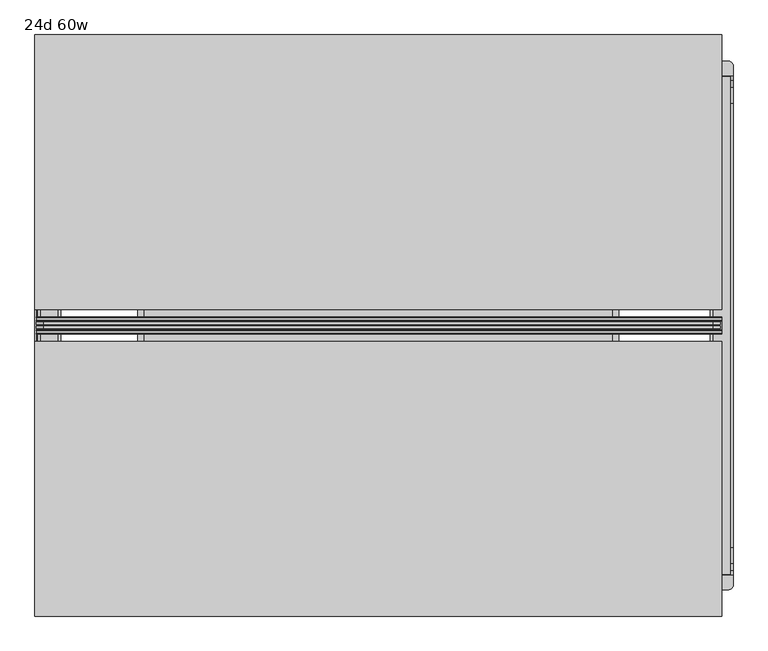
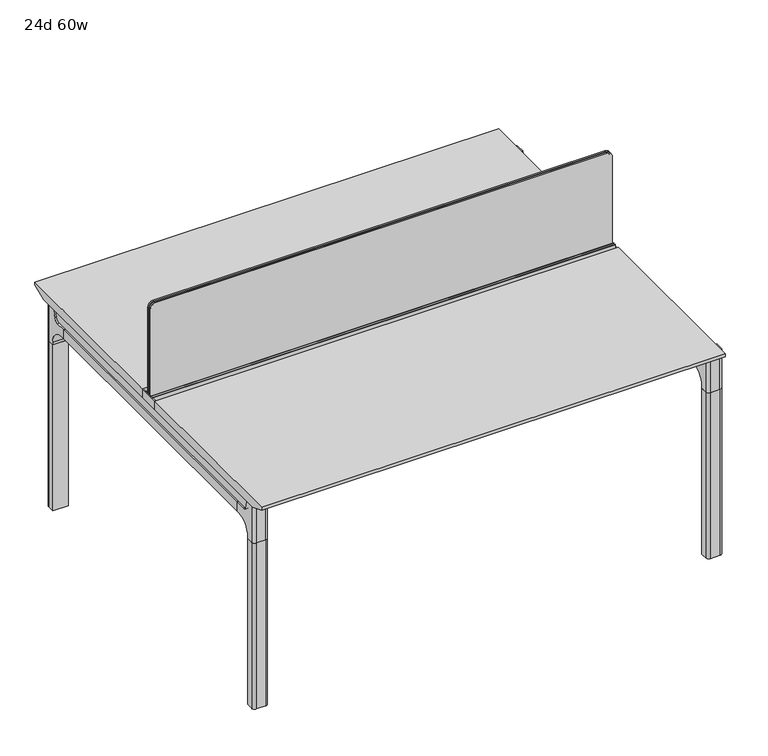
"""IFC4 building model written with IfcOpenShell, lengths in millimetres: furniture geometry, 24d 60w."""

from ifc_helpers import new_model, si_unit, point, frame, frame_2d, origin, place, context, project, spatial, polyline, circle_curve, trimmed, segment, composite_curve, outline, extrude, source, transform, mapped, element, save
from ifc_brep_helpers import plane_surface, cylinder_surface, revolved_surface, advanced_brep


def furniture_24d_60w_25f7411c(model_context):
    return source(origin(), model_context, "Body", "SolidModel", [
        extrude(outline(composite_curve([segment(polyline([(1054.89375, 955.675), (1054.89375, -523.875)]), True, "CONTINUOUS"), segment(trimmed(circle_curve(frame_2d((1039.01875, -523.875)), 15.875), [point((1054.89375, -523.875))], [point((1039.01875, -539.75))], False, "CARTESIAN"), True, "CONTINUOUS"), segment(polyline([(1039.01875, -539.75), (720.725, -539.75), (720.725, 971.55), (1039.01875, 971.55)]), True, "CONTINUOUS"), segment(trimmed(circle_curve(frame_2d((1039.01875, 955.675)), 15.875), [point((1039.01875, 971.55))], [point((1054.89375, 955.675))], False, "CARTESIAN"), True, "CONTINUOUS")], self_intersect=False)), frame((0.0, -201.3409766, 0.0), z_axis=(0.0, 1.0, 0.0), x_axis=(0.0, 0.0, 1.0)), (0.0, 0.0, 1.0), 3.175),
        extrude(outline(composite_curve([segment(polyline([(1058.06875, 958.85), (1058.06875, -527.05)]), True, "CONTINUOUS"), segment(trimmed(circle_curve(frame_2d((1042.19375, -527.05)), 15.875), [point((1058.06875, -527.05))], [point((1042.19375, -542.925))], False, "CARTESIAN"), True, "CONTINUOUS"), segment(polyline([(1042.19375, -542.925), (717.55, -542.925), (717.55, 974.725), (1042.19375, 974.725)]), True, "CONTINUOUS"), segment(trimmed(circle_curve(frame_2d((1042.19375, 958.85)), 15.875), [point((1042.19375, 974.725))], [point((1058.06875, 958.85))], False, "CARTESIAN"), True, "CONTINUOUS")], self_intersect=False)), frame((0.0, -198.1659766, 0.0), z_axis=(0.0, 1.0, 0.0), x_axis=(0.0, 0.0, 1.0)), (0.0, 0.0, 1.0), 5.55625),
        extrude(outline(composite_curve([segment(polyline([(1058.06875, 958.85), (1058.06875, -527.05)]), True, "CONTINUOUS"), segment(trimmed(circle_curve(frame_2d((1042.19375, -527.05)), 15.875), [point((1058.06875, -527.05))], [point((1042.19375, -542.925))], False, "CARTESIAN"), True, "CONTINUOUS"), segment(polyline([(1042.19375, -542.925), (717.55, -542.925), (717.55, 974.725), (1042.19375, 974.725)]), True, "CONTINUOUS"), segment(trimmed(circle_curve(frame_2d((1042.19375, 958.85)), 15.875), [point((1042.19375, 974.725))], [point((1058.06875, 958.85))], False, "CARTESIAN"), True, "CONTINUOUS")], self_intersect=False)), frame((0.0, -206.8972266, 0.0), z_axis=(0.0, 1.0, 0.0), x_axis=(0.0, 0.0, 1.0)), (0.0, 0.0, 1.0), 5.55625),
        extrude(outline(polyline([(-348.9784469, 559.4636683), (-364.040663, 627.7843353), (-35.4662901, 627.7843353), (-50.5285062, 559.4636683), (-46.7502281, 557.2647146), (-46.7502281, 549.3667827), (-62.6252238, 521.8704736), (-336.8817293, 521.8704736), (-352.756725, 549.3667827), (-352.756725, 557.2647146), (-348.9784469, 559.4636683)])), frame((736.6, 0.0, 0.0), z_axis=(1.0, 0.0, 0.0), x_axis=(0.0, 1.0, 0.0)), (0.0, 0.0, 1.0), 12.7),
        extrude(outline(polyline([(-348.9784469, 559.4636683), (-364.040663, 627.7843353), (-35.4662901, 627.7843353), (-50.5285062, 559.4636683), (-46.7502281, 557.2647146), (-46.7502281, 549.3667827), (-62.6252238, 521.8704736), (-336.8817293, 521.8704736), (-352.756725, 549.3667827), (-352.756725, 557.2647146), (-348.9784469, 559.4636683)])), frame((-317.5, 0.0, 0.0), z_axis=(1.0, 0.0, 0.0), x_axis=(0.0, 1.0, 0.0)), (0.0, 0.0, 1.0), 12.7),
        extrude(outline(polyline([(-18.0090763, 698.5), (3.7767266, 698.5), (3.7767266, 697.2935087), (-17.4495292, 697.2935087), (-19.0070753, 695.7359626), (-49.1186716, 559.1528512), (-50.5285062, 559.4636683), (-20.404074, 696.1050023), (-18.0090763, 698.5)])), frame((-317.5, 0.0, 0.0), z_axis=(1.0, 0.0, 0.0), x_axis=(0.0, 1.0, 0.0)), (0.0, 0.0, 1.0), 31.8008024),
        extrude(outline(polyline([(-381.4978768, 698.5), (-379.1028791, 696.1050023), (-348.9784469, 559.4636683), (-350.3882815, 559.1528512), (-380.4998778, 695.7359626), (-382.0574239, 697.2935087), (-403.2836797, 697.2935087), (-403.2836797, 698.5), (-381.4978768, 698.5)])), frame((-317.5, 0.0, 0.0), z_axis=(1.0, 0.0, 0.0), x_axis=(0.0, 1.0, 0.0)), (0.0, 0.0, 1.0), 31.8008024),
        extrude(outline(polyline([(-18.0090763, 698.5), (3.7767266, 698.5), (3.7767266, 697.2935087), (-17.4495292, 697.2935087), (-19.0070753, 695.7359626), (-49.1186716, 559.1528512), (-50.5285062, 559.4636683), (-20.404074, 696.1050023), (-18.0090763, 698.5)])), frame((717.4991976, 0.0, 0.0), z_axis=(1.0, 0.0, 0.0), x_axis=(0.0, 1.0, 0.0)), (0.0, 0.0, 1.0), 31.8008024),
        extrude(outline(polyline([(-381.4978768, 698.5), (-379.1028791, 696.1050023), (-348.9784469, 559.4636683), (-350.3882815, 559.1528512), (-380.4998778, 695.7359626), (-382.0574239, 697.2935087), (-403.2836797, 697.2935087), (-403.2836797, 698.5), (-381.4978768, 698.5)])), frame((717.4991976, 0.0, 0.0), z_axis=(1.0, 0.0, 0.0), x_axis=(0.0, 1.0, 0.0)), (0.0, 0.0, 1.0), 31.8008024),
        extrude(outline(polyline([(-353.550475, 557.5934966), (-351.518477, 559.6254947), (-350.957211, 559.0642287), (-352.756725, 557.2647146), (-352.756725, 549.3667827), (-352.5317745, 548.5272622), (-337.4390802, 522.3859395), (-336.0037101, 521.5572272), (-63.503243, 521.5572272), (-62.0678729, 522.3859395), (-46.9751786, 548.5272622), (-46.7502281, 549.3667827), (-46.7502281, 557.2647146), (-48.5497421, 559.0642287), (-47.9884761, 559.6254947), (-45.9564781, 557.5934966), (-45.9564781, 549.2622828), (-46.2355217, 548.2208856), (-61.4868074, 521.8048744), (-63.2905581, 520.7634772), (-336.216395, 520.7634772), (-338.0201457, 521.8048744), (-353.2714314, 548.2208856), (-353.550475, 549.2622828), (-353.550475, 557.5934966)])), frame((-317.4492037, 0.0, 0.0), z_axis=(1.0, 0.0, 0.0), x_axis=(0.0, 1.0, 0.0)), (0.0, 0.0, 1.0), 1066.7492037),
        extrude(outline(polyline([(-218.8034766, 715.9625), (-218.8034766, 741.3625), (-217.2159766, 741.3625), (-217.2159766, 720.725), (-210.8659766, 720.725), (-210.8659766, 741.3625), (-209.2784766, 741.3625), (-209.2784766, 717.55), (-190.2284766, 717.55), (-190.2284766, 741.3625), (-188.6409766, 741.3625), (-188.6409766, 720.725), (-182.2909766, 720.725), (-182.2909766, 741.3625), (-180.7034766, 741.3625), (-180.7034766, 715.9625), (-218.8034766, 715.9625)])), frame((-542.925, 0.0, 0.0), z_axis=(1.0, 0.0, 0.0), x_axis=(0.0, 1.0, 0.0)), (0.0, 0.0, 1.0), 1520.825),
        extrude(outline(composite_curve([segment(polyline([(353.4902734, 711.2), (344.4321726, 677.3947076)]), True, "CONTINUOUS"), segment(trimmed(circle_curve(frame_2d((329.0981001, 681.5034599)), 15.875), [point((344.4321726, 677.3947076))], [point((329.0981001, 665.6284599))], False, "CARTESIAN"), True, "CONTINUOUS"), segment(polyline([(329.0981001, 665.6284599), (-728.6050533, 665.6284599)]), True, "CONTINUOUS"), segment(trimmed(circle_curve(frame_2d((-728.6050533, 681.5034599)), 15.875), [point((-728.6050533, 665.6284599))], [point((-743.9391258, 677.3947076))], False, "CARTESIAN"), True, "CONTINUOUS"), segment(polyline([(-743.9391258, 677.3947076), (-752.9972266, 711.2), (353.4902734, 711.2)]), True, "CONTINUOUS")], self_intersect=False)), frame((958.85, 0.0, 0.0), z_axis=(1.0, 0.0, 0.0), x_axis=(0.0, 1.0, 0.0)), (0.0, 0.0, 1.0), 38.1),
        extrude(outline(polyline([(1003.3, 293.1652734), (1003.3, -692.6722266), (952.5, -692.6722266), (952.5, 293.1652734), (1003.3, 293.1652734)])), frame((0.0, 0.0, 635.6476591), z_axis=(0.0, 0.0, 1.0), x_axis=(1.0, 0.0, 0.0)), (0.0, 0.0, 1.0), 29.9808008),
        extrude(outline(composite_curve([segment(polyline([(353.4902734, 711.2), (344.4321726, 677.3947076)]), True, "CONTINUOUS"), segment(trimmed(circle_curve(frame_2d((329.0981001, 681.5034599)), 15.875), [point((344.4321726, 677.3947076))], [point((329.0981001, 665.6284599))], False, "CARTESIAN"), True, "CONTINUOUS"), segment(polyline([(329.0981001, 665.6284599), (-728.6050533, 665.6284599)]), True, "CONTINUOUS"), segment(trimmed(circle_curve(frame_2d((-728.6050533, 681.5034599)), 15.875), [point((-728.6050533, 665.6284599))], [point((-743.9391258, 677.3947076))], False, "CARTESIAN"), True, "CONTINUOUS"), segment(polyline([(-743.9391258, 677.3947076), (-752.9972266, 711.2), (353.4902734, 711.2)]), True, "CONTINUOUS")], self_intersect=False)), frame((-533.4, 0.0, 0.0), z_axis=(1.0, 0.0, 0.0), x_axis=(0.0, 1.0, 0.0)), (0.0, 0.0, 1.0), 38.1),
        extrude(outline(polyline([(-488.95, 293.1652734), (-488.95, -692.6722266), (-539.75, -692.6722266), (-539.75, 293.1652734), (-488.95, 293.1652734)])), frame((0.0, 0.0, 635.6476591), z_axis=(0.0, 0.0, 1.0), x_axis=(1.0, 0.0, 0.0)), (0.0, 0.0, 1.0), 29.9808008),
        advanced_brep(
        [(1003.3, 353.5366022, 711.2), (1003.3, 344.4785014, 677.3947076), (1003.3, 329.1444289, 665.6284599), (1003.3, 293.1652734, 665.6284599), (1003.3, 293.1652734, 635.6476591), (1003.3, 304.2777734, 635.6476591), (1003.3, 355.0777734, 584.8476591), (1003.3, 355.0777734, 576.659375), (1003.3, 377.3027734, 576.659375), (1003.3, 377.3027734, 711.2), (952.5, 355.0777734, 576.659375), (952.5, 355.0777734, 584.8476591), (952.5, 304.2777734, 635.6476591), (952.5, 293.1652734, 635.6476591), (952.5, 293.1652734, 665.6284599), (952.5, 329.1444289, 665.6284599), (952.5, 344.4785014, 677.3947076), (952.5, 353.5366022, 711.2), (952.5, 377.3027734, 711.2), (952.5, 377.3027734, 576.659375), (993.775, 386.8277734, 711.2), (962.025, 386.8277734, 711.2), (962.025, 386.8277734, 576.659375), (993.775, 386.8277734, 576.659375)],
        [
            (0, 1),
            (1, 2, circle_curve(frame((1003.3, 329.1444289, 681.5034599), z_axis=(-1.0, 0.0, 0.0), x_axis=(0.0, 1.0, 0.0)), 15.875)),
            (2, 3),
            (3, 4),
            (4, 5),
            (5, 6, circle_curve(frame((1003.3, 304.2777734, 584.8476591), z_axis=(-1.0, 0.0, 0.0), x_axis=(0.0, 1.0, 0.0)), 50.8)),
            (6, 7),
            (7, 8),
            (8, 9),
            (9, 0),
            (10, 11),
            (11, 12, circle_curve(frame((952.5, 304.2777734, 584.8476591), z_axis=(1.0, 0.0, 0.0), x_axis=(0.0, 1.0, 0.0)), 50.8)),
            (12, 13),
            (13, 14),
            (14, 15),
            (15, 16, circle_curve(frame((952.5, 329.1444289, 681.5034599), z_axis=(1.0, 0.0, 0.0), x_axis=(0.0, 1.0, 0.0)), 15.875)),
            (16, 17),
            (17, 18),
            (18, 19),
            (19, 10),
            (17, 0),
            (9, 20, circle_curve(frame((993.775, 377.3027734, 711.2), z_axis=(0.0, 0.0, 1.0), x_axis=(-1.0, 0.0, 0.0)), 9.525)),
            (20, 21),
            (21, 18, circle_curve(frame((962.025, 377.3027734, 711.2), z_axis=(0.0, 0.0, 1.0), x_axis=(-1.0, 0.0, 0.0)), 9.525)),
            (16, 1),
            (15, 2),
            (14, 3),
            (13, 4),
            (12, 5),
            (7, 10),
            (19, 22, circle_curve(frame((962.025, 377.3027734, 576.659375), z_axis=(0.0, 0.0, -1.0), x_axis=(-1.0, 0.0, 0.0)), 9.525)),
            (22, 23),
            (23, 8, circle_curve(frame((993.775, 377.3027734, 576.659375), z_axis=(0.0, 0.0, -1.0), x_axis=(-1.0, 0.0, 0.0)), 9.525)),
            (11, 6),
            (23, 20),
            (21, 22),
        ],
        [
            plane_surface(frame((1003.3, 393.754303, 711.2), z_axis=(1.0, 0.0, 0.0), x_axis=(0.0, -1.0, 0.0))),
            plane_surface(frame((952.5, 393.754303, 711.2), z_axis=(-1.0, 0.0, 0.0), x_axis=(0.0, 1.0, 0.0))),
            plane_surface(frame((1003.3, 393.754303, 711.2), z_axis=(0.0, 0.0, 1.0), x_axis=(-1.0, 0.0, 0.0))),
            plane_surface(frame((1003.3, 353.5366022, 711.2), z_axis=(0.0, -0.9659258262890683, 0.2588190451025207), x_axis=(-1.0, 0.0, 0.0))),
            revolved_surface(polyline([(952.5, 345.0194289, 681.5034599), (1003.3, 345.0194289, 681.5034599)]), (952.5, 329.1444289, 681.5034599), (-1.0, 0.0, 0.0)),
            plane_surface(frame((1003.3, 329.1444289, 665.6284599), z_axis=(0.0, 0.0, 1.0), x_axis=(-1.0, 0.0, 0.0))),
            plane_surface(frame((1003.3, 293.1652734, 665.6284599), z_axis=(0.0, -1.0, 0.0), x_axis=(-1.0, 0.0, 0.0))),
            plane_surface(frame((1003.3, 293.1652734, 635.6476591), z_axis=(0.0, 0.0, -1.0), x_axis=(-1.0, 0.0, 0.0))),
            plane_surface(frame((1003.3, 355.0777734, 576.659375), z_axis=(0.0, 0.0, -1.0), x_axis=(-1.0, 0.0, 0.0))),
            revolved_surface(polyline([(952.5, 355.0777734, 584.8476591), (1003.3, 355.0777734, 584.8476591)]), (952.5, 304.2777734, 584.8476591), (-1.0, 0.0, 0.0)),
            plane_surface(frame((1003.3, 355.0777734, 584.8476591), z_axis=(0.0, -1.0, 0.0), x_axis=(-1.0, 0.0, 0.0))),
            cylinder_surface(frame((993.775, 377.3027734, 524.9807374), z_axis=(0.0, 0.0, -1.0), x_axis=(-1.0, 0.0, 0.0)), 9.525),
            cylinder_surface(frame((962.025, 377.3027734, 524.9807374), z_axis=(0.0, 0.0, -1.0), x_axis=(-1.0, 0.0, 0.0)), 9.525),
            plane_surface(frame((962.025, 386.8277734, 711.2), z_axis=(0.0, 1.0, 0.0), x_axis=(0.0, 0.0, -1.0))),
        ],
        [
            (0, [[1, 2, 3, 4, 5, 6, 7, 8, 9, 10]]),
            (1, [[11, 12, 13, 14, 15, 16, 17, 18, 19, 20]]),
            (2, [[21, -10, 22, 23, 24, -18]]),
            (3, [[-1, -21, -17, 25]]),
            (4, [[-2, -25, -16, 26]]),
            (5, [[-3, -26, -15, 27]]),
            (6, [[-4, -27, -14, 28]]),
            (7, [[-5, -28, -13, 29]]),
            (8, [[30, -20, 31, 32, 33, -8]]),
            (9, [[-6, -29, -12, 34]]),
            (10, [[-7, -34, -11, -30]]),
            (11, [[35, -22, -9, -33]]),
            (12, [[36, -31, -19, -24]]),
            (13, [[-35, -32, -36, -23]]),
        ],
    ),
        advanced_brep(
        [(952.5, 355.0777734, 576.659375), (1003.3, 355.0777734, 576.659375), (1003.3, 377.3027734, 576.659375), (993.775, 386.8277734, 576.659375), (962.025, 386.8277734, 576.659375), (952.5, 377.3027734, 576.659375), (952.5, 355.0777734, 0.0), (952.5, 377.3027734, 0.0), (962.025, 386.8277734, 0.0), (993.775, 386.8277734, 0.0), (1003.3, 377.3027734, 0.0), (1003.3, 355.0777734, 0.0), (1003.3, 377.3027734, 524.9807374), (993.775, 386.8277734, 524.9807374), (962.025, 386.8277734, 524.9807374), (952.5, 377.3027734, 524.9807374)],
        [
            (0, 1),
            (1, 2),
            (2, 3, circle_curve(frame((993.775, 377.3027734, 576.659375), z_axis=(0.0, 0.0, 1.0), x_axis=(-1.0, 0.0, 0.0)), 9.525)),
            (3, 4),
            (4, 5, circle_curve(frame((962.025, 377.3027734, 576.659375), z_axis=(0.0, 0.0, 1.0), x_axis=(-1.0, 0.0, 0.0)), 9.525)),
            (5, 0),
            (6, 7),
            (7, 8, circle_curve(frame((962.025, 377.3027734, 0.0), z_axis=(0.0, 0.0, -1.0), x_axis=(-1.0, 0.0, 0.0)), 9.525)),
            (8, 9),
            (9, 10, circle_curve(frame((993.775, 377.3027734, 0.0), z_axis=(0.0, 0.0, -1.0), x_axis=(-1.0, 0.0, 0.0)), 9.525)),
            (10, 11),
            (11, 6),
            (0, 6),
            (11, 1),
            (10, 12),
            (12, 2),
            (9, 13),
            (13, 3),
            (8, 14),
            (14, 4),
            (7, 15),
            (15, 5),
        ],
        [
            plane_surface(frame((1010.4962903, 355.0777734, 576.659375), z_axis=(0.0, 0.0, 1.0), x_axis=(1.0, 0.0, 0.0))),
            plane_surface(frame((1010.4962903, 355.0777734, 0.0), z_axis=(0.0, 0.0, -1.0), x_axis=(-1.0, 0.0, 0.0))),
            plane_surface(frame((952.5, 355.0777734, 576.659375), z_axis=(0.0, -1.0, 0.0), x_axis=(0.0, 0.0, -1.0))),
            plane_surface(frame((1003.3, 355.0777734, 576.659375), z_axis=(1.0, 0.0, 0.0), x_axis=(0.0, 0.0, -1.0))),
            cylinder_surface(frame((993.775, 377.3027734, 0.0), z_axis=(0.0, 0.0, 1.0), x_axis=(-1.0, 0.0, 0.0)), 9.525),
            plane_surface(frame((993.775, 386.8277734, 576.659375), z_axis=(0.0, 1.0, 0.0), x_axis=(0.0, 0.0, -1.0))),
            cylinder_surface(frame((962.025, 377.3027734, 0.0), z_axis=(0.0, 0.0, 1.0), x_axis=(-1.0, 0.0, 0.0)), 9.525),
            plane_surface(frame((952.5, 377.3027734, 576.659375), z_axis=(-1.0, 0.0, 0.0), x_axis=(0.0, 0.0, -1.0))),
        ],
        [
            (0, [[1, 2, 3, 4, 5, 6]]),
            (1, [[7, 8, 9, 10, 11, 12]]),
            (2, [[-1, 13, -12, 14]]),
            (3, [[-2, -14, -11, 15, 16]]),
            (4, [[-3, -16, -15, -10, 17, 18]]),
            (5, [[-4, -18, -17, -9, 19, 20]]),
            (6, [[-5, -20, -19, -8, 21, 22]]),
            (7, [[-6, -22, -21, -7, -13]]),
        ],
    ),
        advanced_brep(
        [(952.5, -753.0435553, 711.2), (952.5, -743.9854545, 677.3947076), (952.5, -728.651382, 665.6284599), (952.5, -692.6722266, 665.6284599), (952.5, -692.6722266, 635.6476591), (952.5, -703.7847266, 635.6476591), (952.5, -754.5847266, 584.8476591), (952.5, -754.5847266, 576.659375), (952.5, -776.8097266, 576.659375), (952.5, -776.8097266, 711.2), (1003.3, -754.5847266, 576.659375), (1003.3, -754.5847266, 584.8476591), (1003.3, -703.7847266, 635.6476591), (1003.3, -692.6722266, 635.6476591), (1003.3, -692.6722266, 665.6284599), (1003.3, -728.651382, 665.6284599), (1003.3, -743.9854545, 677.3947076), (1003.3, -753.0435553, 711.2), (1003.3, -776.8097266, 711.2), (1003.3, -776.8097266, 576.659375), (962.025, -786.3347266, 711.2), (993.775, -786.3347266, 711.2), (993.775, -786.3347266, 576.659375), (962.025, -786.3347266, 576.659375)],
        [
            (0, 1),
            (1, 2, circle_curve(frame((952.5, -728.651382, 681.5034599), z_axis=(1.0, 0.0, 0.0), x_axis=(0.0, -1.0, 0.0)), 15.875)),
            (2, 3),
            (3, 4),
            (4, 5),
            (5, 6, circle_curve(frame((952.5, -703.7847266, 584.8476591), z_axis=(1.0, 0.0, 0.0), x_axis=(0.0, -1.0, 0.0)), 50.8)),
            (6, 7),
            (7, 8),
            (8, 9),
            (9, 0),
            (10, 11),
            (11, 12, circle_curve(frame((1003.3, -703.7847266, 584.8476591), z_axis=(-1.0, 0.0, 0.0), x_axis=(0.0, -1.0, 0.0)), 50.8)),
            (12, 13),
            (13, 14),
            (14, 15),
            (15, 16, circle_curve(frame((1003.3, -728.651382, 681.5034599), z_axis=(-1.0, 0.0, 0.0), x_axis=(0.0, -1.0, 0.0)), 15.875)),
            (16, 17),
            (17, 18),
            (18, 19),
            (19, 10),
            (17, 0),
            (9, 20, circle_curve(frame((962.025, -776.8097266, 711.2), z_axis=(0.0, 0.0, 1.0), x_axis=(1.0, 0.0, 0.0)), 9.525)),
            (20, 21),
            (21, 18, circle_curve(frame((993.775, -776.8097266, 711.2), z_axis=(0.0, 0.0, 1.0), x_axis=(1.0, 0.0, 0.0)), 9.525)),
            (16, 1),
            (15, 2),
            (14, 3),
            (13, 4),
            (12, 5),
            (7, 10),
            (19, 22, circle_curve(frame((993.775, -776.8097266, 576.659375), z_axis=(0.0, 0.0, -1.0), x_axis=(1.0, 0.0, 0.0)), 9.525)),
            (22, 23),
            (23, 8, circle_curve(frame((962.025, -776.8097266, 576.659375), z_axis=(0.0, 0.0, -1.0), x_axis=(1.0, 0.0, 0.0)), 9.525)),
            (11, 6),
            (23, 20),
            (21, 22),
        ],
        [
            plane_surface(frame((952.5, -793.2612561, 711.2), z_axis=(-1.0, 0.0, 0.0), x_axis=(0.0, 1.0, 0.0))),
            plane_surface(frame((1003.3, -793.2612561, 711.2), z_axis=(1.0, 0.0, 0.0), x_axis=(0.0, -1.0, 0.0))),
            plane_surface(frame((952.5, -793.2612561, 711.2), z_axis=(0.0, 0.0, 1.0), x_axis=(1.0, 0.0, 0.0))),
            plane_surface(frame((952.5, -753.0435553, 711.2), z_axis=(0.0, 0.9659258262890683, 0.2588190451025207), x_axis=(1.0, 0.0, 0.0))),
            revolved_surface(polyline([(1003.3, -744.526382, 681.5034599), (952.5, -744.526382, 681.5034599)]), (1003.3, -728.651382, 681.5034599), (1.0, 0.0, 0.0)),
            plane_surface(frame((952.5, -728.651382, 665.6284599), z_axis=(0.0, 0.0, 1.0), x_axis=(1.0, 0.0, 0.0))),
            plane_surface(frame((952.5, -692.6722266, 665.6284599), z_axis=(0.0, 1.0, 0.0), x_axis=(1.0, 0.0, 0.0))),
            plane_surface(frame((952.5, -692.6722266, 635.6476591), z_axis=(0.0, 0.0, -1.0), x_axis=(1.0, 0.0, 0.0))),
            plane_surface(frame((952.5, -754.5847266, 576.659375), z_axis=(0.0, 0.0, -1.0), x_axis=(1.0, 0.0, 0.0))),
            revolved_surface(polyline([(1003.3, -754.5847266, 584.8476591), (952.5, -754.5847266, 584.8476591)]), (1003.3, -703.7847266, 584.8476591), (1.0, 0.0, 0.0)),
            plane_surface(frame((952.5, -754.5847266, 584.8476591), z_axis=(0.0, 1.0, 0.0), x_axis=(1.0, 0.0, 0.0))),
            cylinder_surface(frame((962.025, -776.8097266, 524.9807374), z_axis=(0.0, 0.0, -1.0), x_axis=(1.0, 0.0, 0.0)), 9.525),
            cylinder_surface(frame((993.775, -776.8097266, 524.9807374), z_axis=(0.0, 0.0, -1.0), x_axis=(1.0, 0.0, 0.0)), 9.525),
            plane_surface(frame((993.775, -786.3347266, 711.2), z_axis=(0.0, -1.0, 0.0), x_axis=(0.0, 0.0, -1.0))),
        ],
        [
            (0, [[1, 2, 3, 4, 5, 6, 7, 8, 9, 10]]),
            (1, [[11, 12, 13, 14, 15, 16, 17, 18, 19, 20]]),
            (2, [[21, -10, 22, 23, 24, -18]]),
            (3, [[-1, -21, -17, 25]]),
            (4, [[-2, -25, -16, 26]]),
            (5, [[-3, -26, -15, 27]]),
            (6, [[-4, -27, -14, 28]]),
            (7, [[-5, -28, -13, 29]]),
            (8, [[30, -20, 31, 32, 33, -8]]),
            (9, [[-6, -29, -12, 34]]),
            (10, [[-7, -34, -11, -30]]),
            (11, [[35, -22, -9, -33]]),
            (12, [[36, -31, -19, -24]]),
            (13, [[-35, -32, -36, -23]]),
        ],
    ),
        advanced_brep(
        [(1003.3, -754.5847266, 576.659375), (952.5, -754.5847266, 576.659375), (952.5, -776.8097266, 576.659375), (962.025, -786.3347266, 576.659375), (993.775, -786.3347266, 576.659375), (1003.3, -776.8097266, 576.659375), (1003.3, -754.5847266, 0.0), (1003.3, -776.8097266, 0.0), (993.775, -786.3347266, 0.0), (962.025, -786.3347266, 0.0), (952.5, -776.8097266, 0.0), (952.5, -754.5847266, 0.0), (952.5, -776.8097266, 524.9807374), (962.025, -786.3347266, 524.9807374), (993.775, -786.3347266, 524.9807374), (1003.3, -776.8097266, 524.9807374)],
        [
            (0, 1),
            (1, 2),
            (2, 3, circle_curve(frame((962.025, -776.8097266, 576.659375), z_axis=(0.0, 0.0, 1.0), x_axis=(1.0, 0.0, 0.0)), 9.525)),
            (3, 4),
            (4, 5, circle_curve(frame((993.775, -776.8097266, 576.659375), z_axis=(0.0, 0.0, 1.0), x_axis=(1.0, 0.0, 0.0)), 9.525)),
            (5, 0),
            (6, 7),
            (7, 8, circle_curve(frame((993.775, -776.8097266, 0.0), z_axis=(0.0, 0.0, -1.0), x_axis=(1.0, 0.0, 0.0)), 9.525)),
            (8, 9),
            (9, 10, circle_curve(frame((962.025, -776.8097266, 0.0), z_axis=(0.0, 0.0, -1.0), x_axis=(1.0, 0.0, 0.0)), 9.525)),
            (10, 11),
            (11, 6),
            (0, 6),
            (11, 1),
            (10, 12),
            (12, 2),
            (9, 13),
            (13, 3),
            (8, 14),
            (14, 4),
            (7, 15),
            (15, 5),
        ],
        [
            plane_surface(frame((945.3037097, -754.5847266, 576.659375), z_axis=(0.0, 0.0, 1.0), x_axis=(-1.0, 0.0, 0.0))),
            plane_surface(frame((945.3037097, -754.5847266, 0.0), z_axis=(0.0, 0.0, -1.0), x_axis=(1.0, 0.0, 0.0))),
            plane_surface(frame((1003.3, -754.5847266, 576.659375), z_axis=(0.0, 1.0, 0.0), x_axis=(0.0, 0.0, -1.0))),
            plane_surface(frame((952.5, -754.5847266, 576.659375), z_axis=(-1.0, 0.0, 0.0), x_axis=(0.0, 0.0, -1.0))),
            cylinder_surface(frame((962.025, -776.8097266, 0.0), z_axis=(0.0, 0.0, 1.0), x_axis=(1.0, 0.0, 0.0)), 9.525),
            plane_surface(frame((962.025, -786.3347266, 576.659375), z_axis=(0.0, -1.0, 0.0), x_axis=(0.0, 0.0, -1.0))),
            cylinder_surface(frame((993.775, -776.8097266, 0.0), z_axis=(0.0, 0.0, 1.0), x_axis=(1.0, 0.0, 0.0)), 9.525),
            plane_surface(frame((1003.3, -776.8097266, 576.659375), z_axis=(1.0, 0.0, 0.0), x_axis=(0.0, 0.0, -1.0))),
        ],
        [
            (0, [[1, 2, 3, 4, 5, 6]]),
            (1, [[7, 8, 9, 10, 11, 12]]),
            (2, [[-1, 13, -12, 14]]),
            (3, [[-2, -14, -11, 15, 16]]),
            (4, [[-3, -16, -15, -10, 17, 18]]),
            (5, [[-4, -18, -17, -9, 19, 20]]),
            (6, [[-5, -20, -19, -8, 21, 22]]),
            (7, [[-6, -22, -21, -7, -13]]),
        ],
    ),
        advanced_brep(
        [(-488.95, 353.5366022, 711.2), (-488.95, 344.4785014, 677.3947076), (-488.95, 329.1444289, 665.6284599), (-488.95, 293.1652734, 665.6284599), (-488.95, 293.1652734, 635.6476591), (-488.95, 304.2777734, 635.6476591), (-488.95, 355.0777734, 584.8476591), (-488.95, 355.0777734, 576.659375), (-488.95, 377.3027734, 576.659375), (-488.95, 377.3027734, 711.2), (-539.75, 355.0777734, 576.659375), (-539.75, 355.0777734, 584.8476591), (-539.75, 304.2777734, 635.6476591), (-539.75, 293.1652734, 635.6476591), (-539.75, 293.1652734, 665.6284599), (-539.75, 329.1444289, 665.6284599), (-539.75, 344.4785014, 677.3947076), (-539.75, 353.5366022, 711.2), (-539.75, 377.3027734, 711.2), (-539.75, 377.3027734, 576.659375), (-498.475, 386.8277734, 711.2), (-530.225, 386.8277734, 711.2), (-530.225, 386.8277734, 576.659375), (-498.475, 386.8277734, 576.659375)],
        [
            (0, 1),
            (1, 2, circle_curve(frame((-488.95, 329.1444289, 681.5034599), z_axis=(-1.0, 0.0, 0.0), x_axis=(0.0, 1.0, 0.0)), 15.875)),
            (2, 3),
            (3, 4),
            (4, 5),
            (5, 6, circle_curve(frame((-488.95, 304.2777734, 584.8476591), z_axis=(-1.0, 0.0, 0.0), x_axis=(0.0, 1.0, 0.0)), 50.8)),
            (6, 7),
            (7, 8),
            (8, 9),
            (9, 0),
            (10, 11),
            (11, 12, circle_curve(frame((-539.75, 304.2777734, 584.8476591), z_axis=(1.0, 0.0, 0.0), x_axis=(0.0, 1.0, 0.0)), 50.8)),
            (12, 13),
            (13, 14),
            (14, 15),
            (15, 16, circle_curve(frame((-539.75, 329.1444289, 681.5034599), z_axis=(1.0, 0.0, 0.0), x_axis=(0.0, 1.0, 0.0)), 15.875)),
            (16, 17),
            (17, 18),
            (18, 19),
            (19, 10),
            (17, 0),
            (9, 20, circle_curve(frame((-498.475, 377.3027734, 711.2), z_axis=(0.0, 0.0, 1.0), x_axis=(-1.0, 0.0, 0.0)), 9.525)),
            (20, 21),
            (21, 18, circle_curve(frame((-530.225, 377.3027734, 711.2), z_axis=(0.0, 0.0, 1.0), x_axis=(-1.0, 0.0, 0.0)), 9.525)),
            (16, 1),
            (15, 2),
            (14, 3),
            (13, 4),
            (12, 5),
            (7, 10),
            (19, 22, circle_curve(frame((-530.225, 377.3027734, 576.659375), z_axis=(0.0, 0.0, -1.0), x_axis=(-1.0, 0.0, 0.0)), 9.525)),
            (22, 23),
            (23, 8, circle_curve(frame((-498.475, 377.3027734, 576.659375), z_axis=(0.0, 0.0, -1.0), x_axis=(-1.0, 0.0, 0.0)), 9.525)),
            (11, 6),
            (23, 20),
            (21, 22),
        ],
        [
            plane_surface(frame((-488.95, 393.754303, 711.2), z_axis=(1.0, 0.0, 0.0), x_axis=(0.0, -1.0, 0.0))),
            plane_surface(frame((-539.75, 393.754303, 711.2), z_axis=(-1.0, 0.0, 0.0), x_axis=(0.0, 1.0, 0.0))),
            plane_surface(frame((-488.95, 393.754303, 711.2), z_axis=(0.0, 0.0, 1.0), x_axis=(-1.0, 0.0, 0.0))),
            plane_surface(frame((-488.95, 353.5366022, 711.2), z_axis=(0.0, -0.9659258262890683, 0.2588190451025207), x_axis=(-1.0, 0.0, 0.0))),
            revolved_surface(polyline([(-539.75, 345.0194289, 681.5034599), (-488.95, 345.0194289, 681.5034599)]), (-539.75, 329.1444289, 681.5034599), (-1.0, 0.0, 0.0)),
            plane_surface(frame((-488.95, 329.1444289, 665.6284599), z_axis=(0.0, 0.0, 1.0), x_axis=(-1.0, 0.0, 0.0))),
            plane_surface(frame((-488.95, 293.1652734, 665.6284599), z_axis=(0.0, -1.0, 0.0), x_axis=(-1.0, 0.0, 0.0))),
            plane_surface(frame((-488.95, 293.1652734, 635.6476591), z_axis=(0.0, 0.0, -1.0), x_axis=(-1.0, 0.0, 0.0))),
            plane_surface(frame((-488.95, 355.0777734, 576.659375), z_axis=(0.0, 0.0, -1.0), x_axis=(-1.0, 0.0, 0.0))),
            revolved_surface(polyline([(-539.75, 355.0777734, 584.8476591), (-488.95, 355.0777734, 584.8476591)]), (-539.75, 304.2777734, 584.8476591), (-1.0, 0.0, 0.0)),
            plane_surface(frame((-488.95, 355.0777734, 584.8476591), z_axis=(0.0, -1.0, 0.0), x_axis=(-1.0, 0.0, 0.0))),
            cylinder_surface(frame((-498.475, 377.3027734, 524.9807374), z_axis=(0.0, 0.0, -1.0), x_axis=(-1.0, 0.0, 0.0)), 9.525),
            cylinder_surface(frame((-530.225, 377.3027734, 524.9807374), z_axis=(0.0, 0.0, -1.0), x_axis=(-1.0, 0.0, 0.0)), 9.525),
            plane_surface(frame((-530.225, 386.8277734, 711.2), z_axis=(0.0, 1.0, 0.0), x_axis=(0.0, 0.0, -1.0))),
        ],
        [
            (0, [[1, 2, 3, 4, 5, 6, 7, 8, 9, 10]]),
            (1, [[11, 12, 13, 14, 15, 16, 17, 18, 19, 20]]),
            (2, [[21, -10, 22, 23, 24, -18]]),
            (3, [[-1, -21, -17, 25]]),
            (4, [[-2, -25, -16, 26]]),
            (5, [[-3, -26, -15, 27]]),
            (6, [[-4, -27, -14, 28]]),
            (7, [[-5, -28, -13, 29]]),
            (8, [[30, -20, 31, 32, 33, -8]]),
            (9, [[-6, -29, -12, 34]]),
            (10, [[-7, -34, -11, -30]]),
            (11, [[35, -22, -9, -33]]),
            (12, [[36, -31, -19, -24]]),
            (13, [[-35, -32, -36, -23]]),
        ],
    ),
        advanced_brep(
        [(-539.75, 355.0777734, 576.659375), (-488.95, 355.0777734, 576.659375), (-488.95, 377.3027734, 576.659375), (-498.475, 386.8277734, 576.659375), (-530.225, 386.8277734, 576.659375), (-539.75, 377.3027734, 576.659375), (-539.75, 355.0777734, 0.0), (-539.75, 377.3027734, 0.0), (-530.225, 386.8277734, 0.0), (-498.475, 386.8277734, 0.0), (-488.95, 377.3027734, 0.0), (-488.95, 355.0777734, 0.0), (-488.95, 377.3027734, 524.9807374), (-498.475, 386.8277734, 524.9807374), (-530.225, 386.8277734, 524.9807374), (-539.75, 377.3027734, 524.9807374)],
        [
            (0, 1),
            (1, 2),
            (2, 3, circle_curve(frame((-498.475, 377.3027734, 576.659375), z_axis=(0.0, 0.0, 1.0), x_axis=(-1.0, 0.0, 0.0)), 9.525)),
            (3, 4),
            (4, 5, circle_curve(frame((-530.225, 377.3027734, 576.659375), z_axis=(0.0, 0.0, 1.0), x_axis=(-1.0, 0.0, 0.0)), 9.525)),
            (5, 0),
            (6, 7),
            (7, 8, circle_curve(frame((-530.225, 377.3027734, 0.0), z_axis=(0.0, 0.0, -1.0), x_axis=(-1.0, 0.0, 0.0)), 9.525)),
            (8, 9),
            (9, 10, circle_curve(frame((-498.475, 377.3027734, 0.0), z_axis=(0.0, 0.0, -1.0), x_axis=(-1.0, 0.0, 0.0)), 9.525)),
            (10, 11),
            (11, 6),
            (0, 6),
            (11, 1),
            (10, 12),
            (12, 2),
            (9, 13),
            (13, 3),
            (8, 14),
            (14, 4),
            (7, 15),
            (15, 5),
        ],
        [
            plane_surface(frame((-481.7537097, 355.0777734, 576.659375), z_axis=(0.0, 0.0, 1.0), x_axis=(1.0, 0.0, 0.0))),
            plane_surface(frame((-481.7537097, 355.0777734, 0.0), z_axis=(0.0, 0.0, -1.0), x_axis=(-1.0, 0.0, 0.0))),
            plane_surface(frame((-539.75, 355.0777734, 576.659375), z_axis=(0.0, -1.0, 0.0), x_axis=(0.0, 0.0, -1.0))),
            plane_surface(frame((-488.95, 355.0777734, 576.659375), z_axis=(1.0, 0.0, 0.0), x_axis=(0.0, 0.0, -1.0))),
            cylinder_surface(frame((-498.475, 377.3027734, 0.0), z_axis=(0.0, 0.0, 1.0), x_axis=(-1.0, 0.0, 0.0)), 9.525),
            plane_surface(frame((-498.475, 386.8277734, 576.659375), z_axis=(0.0, 1.0, 0.0), x_axis=(0.0, 0.0, -1.0))),
            cylinder_surface(frame((-530.225, 377.3027734, 0.0), z_axis=(0.0, 0.0, 1.0), x_axis=(-1.0, 0.0, 0.0)), 9.525),
            plane_surface(frame((-539.75, 377.3027734, 576.659375), z_axis=(-1.0, 0.0, 0.0), x_axis=(0.0, 0.0, -1.0))),
        ],
        [
            (0, [[1, 2, 3, 4, 5, 6]]),
            (1, [[7, 8, 9, 10, 11, 12]]),
            (2, [[-1, 13, -12, 14]]),
            (3, [[-2, -14, -11, 15, 16]]),
            (4, [[-3, -16, -15, -10, 17, 18]]),
            (5, [[-4, -18, -17, -9, 19, 20]]),
            (6, [[-5, -20, -19, -8, 21, 22]]),
            (7, [[-6, -22, -21, -7, -13]]),
        ],
    ),
        advanced_brep(
        [(-539.75, -753.0435553, 711.2), (-539.75, -743.9854545, 677.3947076), (-539.75, -728.651382, 665.6284599), (-539.75, -692.6722266, 665.6284599), (-539.75, -692.6722266, 635.6476591), (-539.75, -703.7847266, 635.6476591), (-539.75, -754.5847266, 584.8476591), (-539.75, -754.5847266, 576.659375), (-539.75, -776.8097266, 576.659375), (-539.75, -776.8097266, 711.2), (-488.95, -754.5847266, 576.659375), (-488.95, -754.5847266, 584.8476591), (-488.95, -703.7847266, 635.6476591), (-488.95, -692.6722266, 635.6476591), (-488.95, -692.6722266, 665.6284599), (-488.95, -728.651382, 665.6284599), (-488.95, -743.9854545, 677.3947076), (-488.95, -753.0435553, 711.2), (-488.95, -776.8097266, 711.2), (-488.95, -776.8097266, 576.659375), (-530.225, -786.3347266, 711.2), (-498.475, -786.3347266, 711.2), (-498.475, -786.3347266, 576.659375), (-530.225, -786.3347266, 576.659375)],
        [
            (0, 1),
            (1, 2, circle_curve(frame((-539.75, -728.651382, 681.5034599), z_axis=(1.0, 0.0, 0.0), x_axis=(0.0, -1.0, 0.0)), 15.875)),
            (2, 3),
            (3, 4),
            (4, 5),
            (5, 6, circle_curve(frame((-539.75, -703.7847266, 584.8476591), z_axis=(1.0, 0.0, 0.0), x_axis=(0.0, -1.0, 0.0)), 50.8)),
            (6, 7),
            (7, 8),
            (8, 9),
            (9, 0),
            (10, 11),
            (11, 12, circle_curve(frame((-488.95, -703.7847266, 584.8476591), z_axis=(-1.0, 0.0, 0.0), x_axis=(0.0, -1.0, 0.0)), 50.8)),
            (12, 13),
            (13, 14),
            (14, 15),
            (15, 16, circle_curve(frame((-488.95, -728.651382, 681.5034599), z_axis=(-1.0, 0.0, 0.0), x_axis=(0.0, -1.0, 0.0)), 15.875)),
            (16, 17),
            (17, 18),
            (18, 19),
            (19, 10),
            (17, 0),
            (9, 20, circle_curve(frame((-530.225, -776.8097266, 711.2), z_axis=(0.0, 0.0, 1.0), x_axis=(1.0, 0.0, 0.0)), 9.525)),
            (20, 21),
            (21, 18, circle_curve(frame((-498.475, -776.8097266, 711.2), z_axis=(0.0, 0.0, 1.0), x_axis=(1.0, 0.0, 0.0)), 9.525)),
            (16, 1),
            (15, 2),
            (14, 3),
            (13, 4),
            (12, 5),
            (7, 10),
            (19, 22, circle_curve(frame((-498.475, -776.8097266, 576.659375), z_axis=(0.0, 0.0, -1.0), x_axis=(1.0, 0.0, 0.0)), 9.525)),
            (22, 23),
            (23, 8, circle_curve(frame((-530.225, -776.8097266, 576.659375), z_axis=(0.0, 0.0, -1.0), x_axis=(1.0, 0.0, 0.0)), 9.525)),
            (11, 6),
            (23, 20),
            (21, 22),
        ],
        [
            plane_surface(frame((-539.75, -793.2612561, 711.2), z_axis=(-1.0, 0.0, 0.0), x_axis=(0.0, 1.0, 0.0))),
            plane_surface(frame((-488.95, -793.2612561, 711.2), z_axis=(1.0, 0.0, 0.0), x_axis=(0.0, -1.0, 0.0))),
            plane_surface(frame((-539.75, -793.2612561, 711.2), z_axis=(0.0, 0.0, 1.0), x_axis=(1.0, 0.0, 0.0))),
            plane_surface(frame((-539.75, -753.0435553, 711.2), z_axis=(0.0, 0.9659258262890683, 0.2588190451025207), x_axis=(1.0, 0.0, 0.0))),
            revolved_surface(polyline([(-488.95, -744.526382, 681.5034599), (-539.75, -744.526382, 681.5034599)]), (-488.95, -728.651382, 681.5034599), (1.0, 0.0, 0.0)),
            plane_surface(frame((-539.75, -728.651382, 665.6284599), z_axis=(0.0, 0.0, 1.0), x_axis=(1.0, 0.0, 0.0))),
            plane_surface(frame((-539.75, -692.6722266, 665.6284599), z_axis=(0.0, 1.0, 0.0), x_axis=(1.0, 0.0, 0.0))),
            plane_surface(frame((-539.75, -692.6722266, 635.6476591), z_axis=(0.0, 0.0, -1.0), x_axis=(1.0, 0.0, 0.0))),
            plane_surface(frame((-539.75, -754.5847266, 576.659375), z_axis=(0.0, 0.0, -1.0), x_axis=(1.0, 0.0, 0.0))),
            revolved_surface(polyline([(-488.95, -754.5847266, 584.8476591), (-539.75, -754.5847266, 584.8476591)]), (-488.95, -703.7847266, 584.8476591), (1.0, 0.0, 0.0)),
            plane_surface(frame((-539.75, -754.5847266, 584.8476591), z_axis=(0.0, 1.0, 0.0), x_axis=(1.0, 0.0, 0.0))),
            cylinder_surface(frame((-530.225, -776.8097266, 524.9807374), z_axis=(0.0, 0.0, -1.0), x_axis=(1.0, 0.0, 0.0)), 9.525),
            cylinder_surface(frame((-498.475, -776.8097266, 524.9807374), z_axis=(0.0, 0.0, -1.0), x_axis=(1.0, 0.0, 0.0)), 9.525),
            plane_surface(frame((-498.475, -786.3347266, 711.2), z_axis=(0.0, -1.0, 0.0), x_axis=(0.0, 0.0, -1.0))),
        ],
        [
            (0, [[1, 2, 3, 4, 5, 6, 7, 8, 9, 10]]),
            (1, [[11, 12, 13, 14, 15, 16, 17, 18, 19, 20]]),
            (2, [[21, -10, 22, 23, 24, -18]]),
            (3, [[-1, -21, -17, 25]]),
            (4, [[-2, -25, -16, 26]]),
            (5, [[-3, -26, -15, 27]]),
            (6, [[-4, -27, -14, 28]]),
            (7, [[-5, -28, -13, 29]]),
            (8, [[30, -20, 31, 32, 33, -8]]),
            (9, [[-6, -29, -12, 34]]),
            (10, [[-7, -34, -11, -30]]),
            (11, [[35, -22, -9, -33]]),
            (12, [[36, -31, -19, -24]]),
            (13, [[-35, -32, -36, -23]]),
        ],
    ),
        advanced_brep(
        [(-488.95, -754.5847266, 576.659375), (-539.75, -754.5847266, 576.659375), (-539.75, -776.8097266, 576.659375), (-530.225, -786.3347266, 576.659375), (-498.475, -786.3347266, 576.659375), (-488.95, -776.8097266, 576.659375), (-488.95, -754.5847266, 0.0), (-488.95, -776.8097266, 0.0), (-498.475, -786.3347266, 0.0), (-530.225, -786.3347266, 0.0), (-539.75, -776.8097266, 0.0), (-539.75, -754.5847266, 0.0), (-539.75, -776.8097266, 524.9807374), (-530.225, -786.3347266, 524.9807374), (-498.475, -786.3347266, 524.9807374), (-488.95, -776.8097266, 524.9807374)],
        [
            (0, 1),
            (1, 2),
            (2, 3, circle_curve(frame((-530.225, -776.8097266, 576.659375), z_axis=(0.0, 0.0, 1.0), x_axis=(1.0, 0.0, 0.0)), 9.525)),
            (3, 4),
            (4, 5, circle_curve(frame((-498.475, -776.8097266, 576.659375), z_axis=(0.0, 0.0, 1.0), x_axis=(1.0, 0.0, 0.0)), 9.525)),
            (5, 0),
            (6, 7),
            (7, 8, circle_curve(frame((-498.475, -776.8097266, 0.0), z_axis=(0.0, 0.0, -1.0), x_axis=(1.0, 0.0, 0.0)), 9.525)),
            (8, 9),
            (9, 10, circle_curve(frame((-530.225, -776.8097266, 0.0), z_axis=(0.0, 0.0, -1.0), x_axis=(1.0, 0.0, 0.0)), 9.525)),
            (10, 11),
            (11, 6),
            (0, 6),
            (11, 1),
            (10, 12),
            (12, 2),
            (9, 13),
            (13, 3),
            (8, 14),
            (14, 4),
            (7, 15),
            (15, 5),
        ],
        [
            plane_surface(frame((-546.9462903, -754.5847266, 576.659375), z_axis=(0.0, 0.0, 1.0), x_axis=(-1.0, 0.0, 0.0))),
            plane_surface(frame((-546.9462903, -754.5847266, 0.0), z_axis=(0.0, 0.0, -1.0), x_axis=(1.0, 0.0, 0.0))),
            plane_surface(frame((-488.95, -754.5847266, 576.659375), z_axis=(0.0, 1.0, 0.0), x_axis=(0.0, 0.0, -1.0))),
            plane_surface(frame((-539.75, -754.5847266, 576.659375), z_axis=(-1.0, 0.0, 0.0), x_axis=(0.0, 0.0, -1.0))),
            cylinder_surface(frame((-530.225, -776.8097266, 0.0), z_axis=(0.0, 0.0, 1.0), x_axis=(1.0, 0.0, 0.0)), 9.525),
            plane_surface(frame((-530.225, -786.3347266, 576.659375), z_axis=(0.0, -1.0, 0.0), x_axis=(0.0, 0.0, -1.0))),
            cylinder_surface(frame((-498.475, -776.8097266, 0.0), z_axis=(0.0, 0.0, 1.0), x_axis=(1.0, 0.0, 0.0)), 9.525),
            plane_surface(frame((-488.95, -776.8097266, 576.659375), z_axis=(1.0, 0.0, 0.0), x_axis=(0.0, 0.0, -1.0))),
        ],
        [
            (0, [[1, 2, 3, 4, 5, 6]]),
            (1, [[7, 8, 9, 10, 11, 12]]),
            (2, [[-1, 13, -12, 14]]),
            (3, [[-2, -14, -11, 15, 16]]),
            (4, [[-3, -16, -15, -10, 17, 18]]),
            (5, [[-4, -18, -17, -9, 19, 20]]),
            (6, [[-5, -20, -19, -8, 21, 22]]),
            (7, [[-6, -22, -21, -7, -13]]),
        ],
    ),
        extrude(outline(polyline([(-164.0347266, 741.3625), (445.5652734, 741.3625), (445.5652734, 731.8375), (394.7652734, 711.2), (-164.0347266, 711.2), (-164.0347266, 741.3625)])), frame((-546.1, 0.0, 0.0), z_axis=(1.0, 0.0, 0.0), x_axis=(0.0, 1.0, 0.0)), (0.0, 0.0, 1.0), 1524.0),
        extrude(outline(polyline([(-845.0722266, 741.3625), (-235.4722266, 741.3625), (-235.4722266, 711.2), (-794.2722266, 711.2), (-845.0722266, 731.8375), (-845.0722266, 741.3625)])), frame((-546.1, 0.0, 0.0), z_axis=(1.0, 0.0, 0.0), x_axis=(0.0, 1.0, 0.0)), (0.0, 0.0, 1.0), 1524.0),
        extrude(outline(polyline([(952.5, 9.7965234), (952.5, -21.9534766), (-488.95, -21.9534766), (-488.95, 9.7965234), (952.5, 9.7965234)])), frame((0.0, 0.0, 646.1125), z_axis=(0.0, 0.0, 1.0), x_axis=(1.0, 0.0, 0.0)), (0.0, 0.0, 1.0), 50.8),
        extrude(outline(polyline([(952.5, -377.5534766), (952.5, -409.3034766), (-488.95, -409.3034766), (-488.95, -377.5534766), (952.5, -377.5534766)])), frame((0.0, 0.0, 646.1125), z_axis=(0.0, 0.0, 1.0), x_axis=(1.0, 0.0, 0.0)), (0.0, 0.0, 1.0), 50.8),
        extrude(outline(polyline([(-542.925, -164.0347266), (-542.925, -235.4722266), (-546.1, -235.4722266), (-546.1, -164.0347266), (-542.925, -164.0347266)])), frame((0.0, 0.0, 711.2), z_axis=(0.0, 0.0, 1.0), x_axis=(1.0, 0.0, 0.0)), (0.0, 0.0, 1.0), 30.1625),
    ])


if __name__ == "__main__":
    model = new_model("IFC4")
    model_context = context("Model", 3, world=origin())
    ifc_project = project(units=[si_unit("LENGTHUNIT", "METRE", prefix="MILLI")], contexts=[model_context])
    site = spatial("IfcSite", under=ifc_project)
    building = spatial("IfcBuilding", under=site)
    placement = place(None, origin())
    furniture_24d_60w_shape = furniture_24d_60w_25f7411c(model_context)
    element("IfcFurniture", 1, ObjectType="24d 60w", at=placement, inside=building, context=model_context, shape_type="MappedRepresentation", body=[
        mapped(furniture_24d_60w_shape, transform((0.0, 0.0, 0.0), x_axis=(1.0, 0.0, 0.0), y_axis=(0.0, 1.0, 0.0), z_axis=(0.0, 0.0, 1.0))),
    ])
    save(model, "model.ifc")
